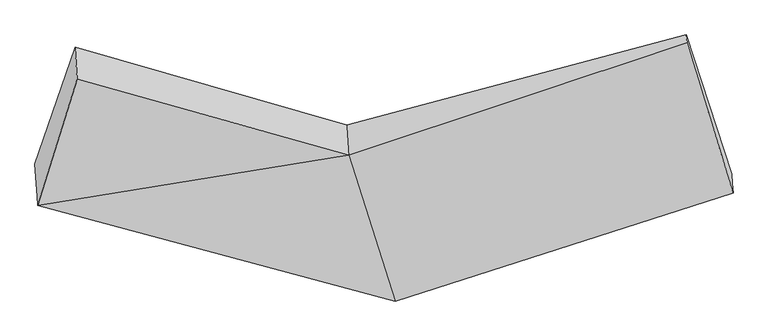
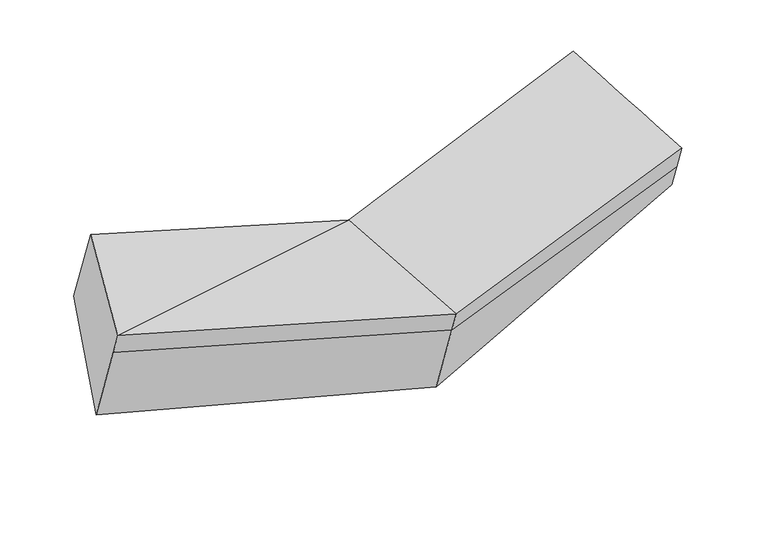
"""IFC4 building model written with IfcOpenShell, lengths in millimetres: proxy geometry."""

from ifc_helpers import new_model, si_unit, frame, origin, place, context, project, spatial, source, transform, mapped, element, save
from ifc_brep_helpers import plane_surface, spline_surface, advanced_brep


def generic_models_63ac67ee(model_context):
    return source(origin(), model_context, "Body", "AdvancedBrep", [
        advanced_brep(
        [(-1794.1265642, -1858.6111317, 2129.7306213), (-1797.1672247, -1812.3848341, 1988.8901976), (65.2679653, -2313.7999916, 1792.3419645), (68.139149, -2357.4497808, 1925.332386), (-1588.4653532, -1201.7147281, 2340.8954413), (-174.216134, -1594.8444272, 2180.8651461), (-1599.5107633, -1033.7945006, 1829.2828485), (-184.4050617, -1439.9450586, 1708.9239823), (-1808.3568585, -1642.2720157, 1470.5973071), (55.0918834, -2159.0959146, 1320.9958071), (1583.5337787, -969.6063057, 2218.4136253), (1586.2750267, -1011.2807187, 2345.3855499), (1826.1158231, -1794.4262946, 2083.1654148), (1822.8344703, -1744.5408212, 1931.1763617), (1819.6040308, -1695.4293693, 1781.5455658)],
        [
            (0, 1),
            (1, 2),
            (2, 3),
            (3, 0),
            (4, 0),
            (0, 5),
            (5, 4),
            (6, 4),
            (5, 7),
            (7, 6),
            (8, 6),
            (7, 9),
            (9, 8),
            (1, 8),
            (9, 2),
            (10, 11),
            (11, 12),
            (12, 13),
            (13, 14),
            (14, 10),
            (3, 5),
            (5, 11),
            (10, 7),
            (3, 12),
            (2, 13),
            (9, 14),
        ],
        [
            plane_surface(frame((-1795.6468945, -1835.4979829, 2059.3104094), z_axis=(-0.2772909592491614, -0.9146307599229097, -0.2942113133812516), x_axis=(-0.02050845522452639, 0.3117842085491563, -0.9499315820435069))),
            plane_surface(frame((-1691.2959587, -1530.1629299, 2235.3130313), z_axis=(0.02079534552504167, -0.3118636411860425, 0.9498992698758526), x_axis=(-0.2856405708134039, -0.912356116127493, -0.2932844722622552))),
            plane_surface(frame((-1593.9880583, -1117.7546143, 2085.0891449), z_axis=(0.2867056813295841, 0.9120605503040328, 0.29316446727467516), x_axis=(0.020508455224724224, -0.3117842085491006, 0.9499315820435209))),
            spline_surface(1, 1, [[(-1808.3568585, -1642.2720157, 1470.5973071), (55.0918834, -2159.0959146, 1320.9958071)], [(-1599.5107633, -1033.7945006, 1829.2828485), (-184.4050617, -1439.9450586, 1708.9239823)]], [2, 2], [2, 2], [0.0, 1.0], [0.0, 1.0]),
            plane_surface(frame((-1802.7620416, -1727.3284249, 1729.7437523), z_axis=(-0.27729095924916003, -0.9146307599229379, -0.2942113133811653), x_axis=(-0.020508455224689415, 0.31178420854911015, -0.9499315820435186))),
            plane_surface(frame((1703.8821648, -1367.6856721, 2107.127539), z_axis=(0.9601055967485784, 0.27117450827582756, 0.068276124329224), x_axis=(0.020508455224423537, -0.3117842085491911, 0.9499315820434977))),
            plane_surface(frame((-1697.6148848, -1434.098094, 1942.6265546), z_axis=(-0.9581173558441007, 0.26532418786111317, 0.10776923385711519), x_axis=(0.020508455224653083, -0.3117842085491204, 0.9499315820435159))),
            plane_surface(frame((-1794.1265642, -1858.6111317, 2129.7306213), z_axis=(0.0207683857809519, -0.31170808179632303, 0.9499509176241215), x_axis=(0.28851819397592454, -0.907863516191803, -0.3042056667991681))),
            plane_surface(frame((-179.3105978, -1517.3947429, 1944.8945642), z_axis=(-0.3252732726913885, 0.8963602174053131, 0.3012236025376056), x_axis=(0.020508455224423537, -0.3117842085491911, 0.9499315820434977))),
            spline_surface(1, 1, [[(-174.216134, -1594.8444272, 2180.8651461), (1586.2750267, -1011.2807187, 2345.3855499)], [(68.139149, -2357.4497808, 1925.332386), (1826.1158231, -1794.4262946, 2083.1654148)]], [2, 2], [2, 2], [0.0, 1.0], [0.0, 1.0]),
            plane_surface(frame((66.7035571, -2335.6248862, 1858.8371752), z_axis=(0.3152491784131186, -0.8996456477807399, -0.3020855242129737), x_axis=(-0.020508455224609538, 0.3117842085491366, -0.9499315820435116))),
            plane_surface(frame((60.1799243, -2236.4479531, 1556.6688858), z_axis=(0.3152491784131187, -0.8996456477807405, -0.3020855242129712), x_axis=(-0.020508455224704653, 0.3117842085491033, -0.9499315820435205))),
            spline_surface(1, 1, [[(55.0918834, -2159.0959146, 1320.9958071), (1819.6040308, -1695.4293693, 1781.5455658)], [(-184.4050617, -1439.9450586, 1708.9239823), (1583.5337787, -969.6063057, 2218.4136253)]], [2, 2], [2, 2], [0.0, 1.0], [0.0, 1.0]),
        ],
        [
            (0, [[1, 2, 3, 4]]),
            (1, [[5, 6, 7]]),
            (2, [[8, -7, 9, 10]]),
            (3, [[11, -10, 12, 13]]),
            (4, [[14, -13, 15, -2]]),
            (5, [[16, 17, 18, 19, 20]]),
            (6, [[-1, -5, -8, -11, -14]]),
            (7, [[21, -6, -4]]),
            (8, [[-9, 22, -16, 23]]),
            (9, [[-21, 24, -17, -22]]),
            (10, [[-3, 25, -18, -24]]),
            (11, [[-15, 26, -19, -25]]),
            (12, [[-12, -23, -20, -26]]),
        ],
    ),
    ])


if __name__ == "__main__":
    model = new_model("IFC4")
    model_context = context("Model", 3, world=origin())
    ifc_project = project(units=[si_unit("LENGTHUNIT", "METRE", prefix="MILLI")], contexts=[model_context])
    site = spatial("IfcSite", under=ifc_project)
    building = spatial("IfcBuilding", under=site)
    placement = place(None, origin())
    generic_models_shape = generic_models_63ac67ee(model_context)
    element("IfcBuildingElementProxy", 1, Name="Generic Models", at=placement, inside=building, context=model_context, shape_type="MappedRepresentation", body=[
        mapped(generic_models_shape, transform((0.0, 0.0, 0.0), x_axis=(1.0, 0.0, 0.0), y_axis=(0.0, 1.0, 0.0), z_axis=(0.0, 0.0, 1.0))),
    ])
    save(model, "model.ifc")
